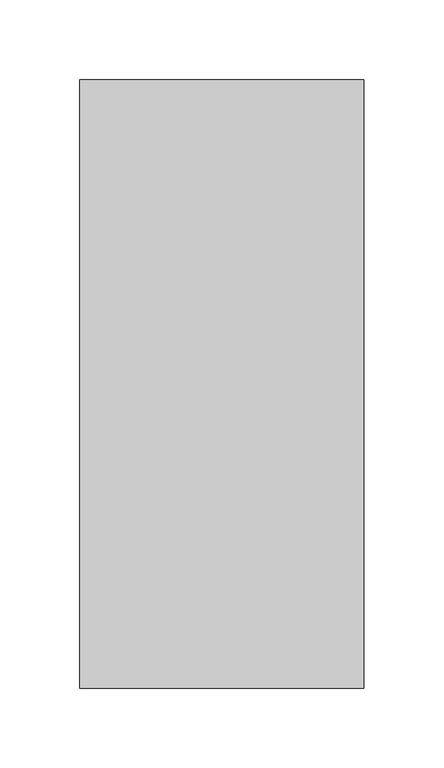
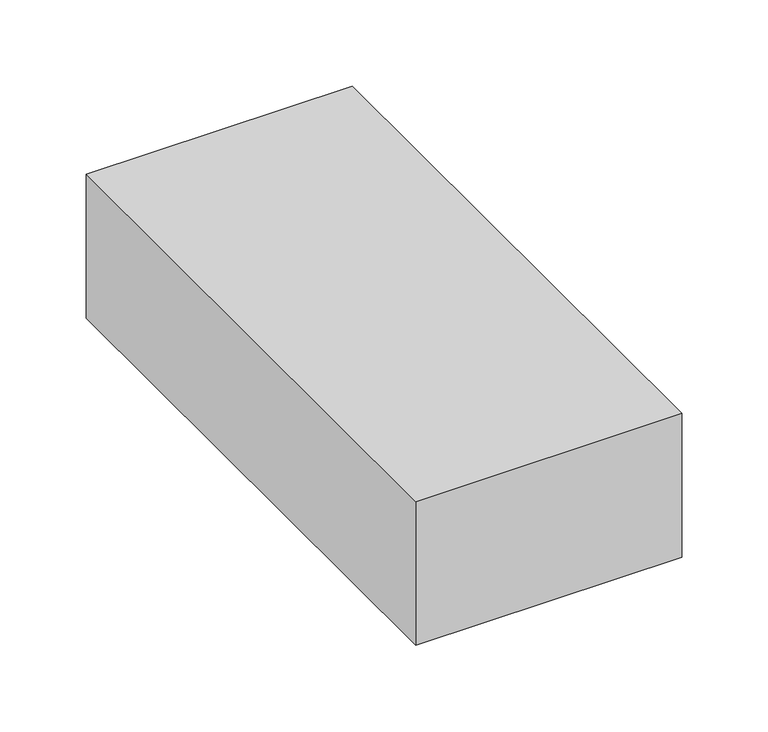
"""IFC4 building model written with IfcOpenShell, lengths in millimetres: proxy geometry."""

from ifc_helpers import new_model, si_unit, point, frame, frame_2d, origin, origin_with_axes, place, context, project, spatial, polyline, circle_curve, ellipse_curve, trimmed, segment, composite_curve, outline, extrude, source, transform, mapped, element, save
from ifc_brep_helpers import plane_surface, cylinder_surface, revolved_surface, advanced_brep


def specialty_equipment_af44a16f(model_context):
    return source(origin(), model_context, "Body", "SolidModel", [
        extrude(outline(composite_curve([segment(polyline([(-177.8, 57.15), (-176.2125, 57.15), (-176.2125, 7.14375)]), True, "CONTINUOUS"), segment(trimmed(circle_curve(frame_2d((-169.8625, 7.14375)), 6.35), [point((-176.2125, 7.14375))], [point((-169.8625, 0.79375))], True, "CARTESIAN"), True, "CONTINUOUS"), segment(polyline([(-169.8625, 0.79375), (-96.8375, 0.79375), (-96.8375, 0.0), (-177.8, 0.0), (-177.8, 57.15)]), True, "CONTINUOUS")], self_intersect=False)), frame((-73.025, 0.0, 0.0), z_axis=(1.0, 0.0, 0.0), x_axis=(0.0, 1.0, 0.0)), (0.0, 0.0, 1.0), 146.05),
        advanced_brep(
        [(-85.725, -85.725, 0.0), (-85.725, -28.575, 0.0), (-84.1375, -28.575, 0.0), (-84.1375, -85.725, 0.0), (-73.025, -96.8375, 0.0), (-73.025, -98.425, 0.0), (-85.725, -85.725, 50.8), (-85.725, -28.575, 50.8), (-66.675, -28.575, 69.85), (66.675, -28.575, 69.85), (85.725, -28.575, 50.8), (85.725, -28.575, 0.0), (84.1375, -28.575, 0.0), (84.1375, -28.575, 50.8), (66.675, -28.575, 68.2625), (-66.675, -28.575, 68.2625), (-84.1375, -28.575, 50.8), (-84.1375, -85.725, 50.8), (-73.025, -96.8375, 50.8), (-73.025, -98.425, 50.8), (-66.675, -85.725, 69.85), (-66.675, -85.725, 68.2625), (-66.675, -96.8375, 57.15), (-66.675, -98.425, 57.15), (66.675, -85.725, 69.85), (66.675, -85.725, 68.2625), (66.675, -96.8375, 57.15), (66.675, -98.425, 57.15), (85.725, -85.725, 50.8), (84.1375, -85.725, 50.8), (73.025, -96.8375, 50.8), (73.025, -98.425, 50.8), (85.725, -85.725, 0.0), (73.025, -98.425, 0.0), (73.025, -96.8375, 0.0), (84.1375, -85.725, 0.0)],
        [
            (0, 1),
            (1, 2),
            (2, 3),
            (3, 4, circle_curve(frame((-73.025, -85.725, 0.0), z_axis=(0.0, 0.0, 1.0), x_axis=(1.0, 0.0, 0.0)), 11.1125)),
            (4, 5),
            (5, 0, circle_curve(frame((-73.025, -85.725, 0.0), z_axis=(0.0, 0.0, -1.0), x_axis=(1.0, 0.0, 0.0)), 12.7)),
            (0, 6),
            (6, 7),
            (7, 1),
            (7, 8, circle_curve(frame((-66.675, -28.575, 50.8), z_axis=(0.0, 1.0, 0.0), x_axis=(-1.0, 0.0, 0.0)), 19.05)),
            (8, 9),
            (9, 10, circle_curve(frame((66.675, -28.575, 50.8), z_axis=(0.0, 1.0, 0.0), x_axis=(0.0, 0.0, 1.0)), 19.05)),
            (10, 11),
            (11, 12),
            (12, 13),
            (13, 14, circle_curve(frame((66.675, -28.575, 50.8), z_axis=(0.0, -1.0, 0.0), x_axis=(0.0, 0.0, 1.0)), 17.4625)),
            (14, 15),
            (15, 16, circle_curve(frame((-66.675, -28.575, 50.8), z_axis=(0.0, -1.0, 0.0), x_axis=(-1.0, 0.0, 0.0)), 17.4625)),
            (16, 2),
            (16, 17),
            (17, 3),
            (17, 18, circle_curve(frame((-73.025, -85.725, 50.8), z_axis=(0.0, 0.0, 1.0), x_axis=(1.0, 0.0, 0.0)), 11.1125)),
            (18, 4),
            (18, 19),
            (19, 5),
            (19, 6, circle_curve(frame((-73.025, -85.725, 50.8), z_axis=(0.0, 0.0, -1.0), x_axis=(1.0, 0.0, 0.0)), 12.7)),
            (6, 20, circle_curve(frame((-66.675, -85.725, 50.8), z_axis=(0.0, 1.0, 0.0), x_axis=(-1.0, 0.0, 0.0)), 19.05)),
            (20, 8),
            (21, 17, circle_curve(frame((-66.675, -85.725, 50.8), z_axis=(0.0, -1.0, 0.0), x_axis=(-1.0, 0.0, 0.0)), 17.4625)),
            (15, 21),
            (22, 18, circle_curve(frame((-66.675, -96.8375, 50.8), z_axis=(0.0, -1.0, 0.0), x_axis=(-1.0, 0.0, 0.0)), 6.35)),
            (21, 22, circle_curve(frame((-66.675, -85.725, 57.15), z_axis=(1.0, 0.0, 0.0), x_axis=(0.0, 0.0, -1.0)), 11.1125)),
            (23, 19, circle_curve(frame((-66.675, -98.425, 50.8), z_axis=(0.0, -1.0, 0.0), x_axis=(-1.0, 0.0, 0.0)), 6.35)),
            (22, 23),
            (23, 20, circle_curve(frame((-66.675, -85.725, 57.15), z_axis=(-1.0, 0.0, 0.0), x_axis=(0.0, 0.0, -1.0)), 12.7)),
            (20, 24),
            (24, 9),
            (14, 25),
            (25, 21),
            (25, 26, circle_curve(frame((66.675, -85.725, 57.15), z_axis=(1.0, 0.0, 0.0), x_axis=(0.0, 0.0, -1.0)), 11.1125)),
            (26, 22),
            (26, 27),
            (27, 23),
            (27, 24, circle_curve(frame((66.675, -85.725, 57.15), z_axis=(-1.0, 0.0, 0.0), x_axis=(0.0, 0.0, -1.0)), 12.7)),
            (24, 28, circle_curve(frame((66.675, -85.725, 50.8), z_axis=(0.0, 1.0, 0.0), x_axis=(0.0, 0.0, 1.0)), 19.05)),
            (28, 10),
            (29, 25, circle_curve(frame((66.675, -85.725, 50.8), z_axis=(0.0, -1.0, 0.0), x_axis=(0.0, 0.0, 1.0)), 17.4625)),
            (13, 29),
            (30, 26, circle_curve(frame((66.675, -96.8375, 50.8), z_axis=(0.0, -1.0, 0.0), x_axis=(0.0, 0.0, 1.0)), 6.35)),
            (29, 30, circle_curve(frame((73.025, -85.725, 50.8), z_axis=(0.0, 0.0, -1.0), x_axis=(-1.0, 0.0, 0.0)), 11.1125)),
            (31, 27, circle_curve(frame((66.675, -98.425, 50.8), z_axis=(0.0, -1.0, 0.0), x_axis=(0.0, 0.0, 1.0)), 6.35)),
            (30, 31),
            (31, 28, circle_curve(frame((73.025, -85.725, 50.8), z_axis=(0.0, 0.0, 1.0), x_axis=(-1.0, 0.0, 0.0)), 12.7)),
            (32, 33, circle_curve(frame((73.025, -85.725, 0.0), z_axis=(0.0, 0.0, -1.0), x_axis=(-1.0, 0.0, 0.0)), 12.7)),
            (33, 34),
            (34, 35, circle_curve(frame((73.025, -85.725, 0.0), z_axis=(0.0, 0.0, 1.0), x_axis=(-1.0, 0.0, 0.0)), 11.1125)),
            (35, 12),
            (11, 32),
            (28, 32),
            (35, 29),
            (34, 30),
            (33, 31),
        ],
        [
            plane_surface(frame((-85.725, -98.425, 0.0), z_axis=(0.0, 0.0, -1.0), x_axis=(0.0, 1.0, 0.0))),
            plane_surface(frame((-85.725, -85.725, 0.0), z_axis=(-1.0, 0.0, 0.0), x_axis=(0.0, 0.0, 1.0))),
            plane_surface(frame((-85.725, -28.575, 0.0), z_axis=(0.0, 1.0, 0.0), x_axis=(0.0, 0.0, 1.0))),
            plane_surface(frame((-84.1375, -28.575, 0.0), z_axis=(1.0, 0.0, 0.0), x_axis=(0.0, 0.0, 1.0))),
            revolved_surface(polyline([(-61.91250000000001, -85.725, 50.8), (-61.91250000000001, -85.725, 0.0)]), (-73.025, -85.725, 0.0), (0.0, 0.0, 1.0)),
            plane_surface(frame((-73.025, -96.8375, 0.0), z_axis=(1.0, 0.0, 0.0), x_axis=(0.0, 0.0, 1.0))),
            cylinder_surface(frame((-73.025, -85.725, 0.0), z_axis=(0.0, 0.0, -1.0), x_axis=(1.0, 0.0, 0.0)), 12.7),
            cylinder_surface(frame((-66.675, -98.425, 50.8), z_axis=(0.0, 1.0, 0.0), x_axis=(-1.0, 0.0, 0.0)), 19.05),
            revolved_surface(polyline([(-84.13749999999999, -28.575000000000003, 50.8), (-84.13749999999999, -85.725, 50.8)]), (-66.675, -98.425, 50.8), (0.0, 1.0, 0.0)),
            revolved_surface(trimmed(ellipse_curve(frame((-73.025, -85.725, 50.8), z_axis=(0.0, 0.0, 1.0), x_axis=(1.0, 0.0, 0.0)), 11.1125, 11.1125), [point((-84.1375, -85.725, 50.8))], [point((-73.025, -96.8375, 50.8))], True, "CARTESIAN"), (-66.675, -98.425, 50.8), (0.0, 1.0, 0.0)),
            revolved_surface(polyline([(-73.02499999999999, -96.8375, 50.8), (-73.02499999999999, -98.425, 50.8)]), (-66.675, -98.425, 50.8), (0.0, 1.0, 0.0)),
            revolved_surface(trimmed(ellipse_curve(frame((-73.025, -85.725, 50.8), z_axis=(0.0, 0.0, -1.0), x_axis=(1.0, 0.0, 0.0)), 12.7, 12.7), [point((-73.025, -98.425, 50.8))], [point((-85.725, -85.725, 50.8))], True, "CARTESIAN"), (-66.675, -98.425, 50.8), (0.0, 1.0, 0.0)),
            plane_surface(frame((-66.675, -85.725, 69.85), z_axis=(0.0, 0.0, 1.0), x_axis=(1.0, 0.0, 0.0))),
            plane_surface(frame((-66.675, -28.575, 68.2625), z_axis=(0.0, 0.0, -1.0), x_axis=(1.0, 0.0, 0.0))),
            revolved_surface(polyline([(66.675, -85.725, 46.037499999999994), (-66.675, -85.725, 46.037499999999994)]), (-66.675, -85.725, 57.15), (1.0, 0.0, 0.0)),
            plane_surface(frame((-66.675, -96.8375, 57.15), z_axis=(0.0, 0.0, -1.0), x_axis=(1.0, 0.0, 0.0))),
            cylinder_surface(frame((-66.675, -85.725, 57.15), z_axis=(-1.0, 0.0, 0.0), x_axis=(0.0, 0.0, -1.0)), 12.7),
            cylinder_surface(frame((66.675, -98.425, 50.8), z_axis=(0.0, 1.0, 0.0), x_axis=(0.0, 0.0, 1.0)), 19.05),
            revolved_surface(polyline([(66.675, -28.575000000000003, 68.26249999999999), (66.675, -85.725, 68.26249999999999)]), (66.675, -98.425, 50.8), (0.0, 1.0, 0.0)),
            revolved_surface(trimmed(ellipse_curve(frame((66.675, -85.725, 57.15), z_axis=(1.0, 0.0, 0.0), x_axis=(0.0, 0.0, -1.0)), 11.1125, 11.1125), [point((66.675, -85.725, 68.2625))], [point((66.675, -96.8375, 57.15))], True, "CARTESIAN"), (66.675, -98.425, 50.8), (0.0, 1.0, 0.0)),
            revolved_surface(polyline([(66.675, -96.8375, 57.15), (66.675, -98.425, 57.15)]), (66.675, -98.425, 50.8), (0.0, 1.0, 0.0)),
            revolved_surface(trimmed(ellipse_curve(frame((66.675, -85.725, 57.15), z_axis=(-1.0, 0.0, 0.0), x_axis=(0.0, 0.0, -1.0)), 12.7, 12.7), [point((66.675, -98.425, 57.15))], [point((66.675, -85.725, 69.85))], True, "CARTESIAN"), (66.675, -98.425, 50.8), (0.0, 1.0, 0.0)),
            plane_surface(frame((85.725, -98.425, 0.0), z_axis=(0.0, 0.0, -1.0), x_axis=(0.0, 1.0, 0.0))),
            plane_surface(frame((85.725, -85.725, 50.8), z_axis=(1.0, 0.0, 0.0), x_axis=(0.0, 0.0, -1.0))),
            plane_surface(frame((84.1375, -28.575, 50.8), z_axis=(-1.0, 0.0, 0.0), x_axis=(0.0, 0.0, -1.0))),
            revolved_surface(polyline([(61.91250000000001, -85.725, 0.0), (61.91250000000001, -85.725, 50.8)]), (73.025, -85.725, 50.8), (0.0, 0.0, -1.0)),
            plane_surface(frame((73.025, -96.8375, 50.8), z_axis=(-1.0, 0.0, 0.0), x_axis=(0.0, 0.0, -1.0))),
            cylinder_surface(frame((73.025, -85.725, 50.8), z_axis=(0.0, 0.0, 1.0), x_axis=(-1.0, 0.0, 0.0)), 12.7),
        ],
        [
            (0, [[1, 2, 3, 4, 5, 6]]),
            (1, [[-1, 7, 8, 9]]),
            (2, [[-2, -9, 10, 11, 12, 13, 14, 15, 16, 17, 18, 19]]),
            (3, [[-3, -19, 20, 21]]),
            (4, [[-4, -21, 22, 23]]),
            (5, [[-5, -23, 24, 25]]),
            (6, [[-6, -25, 26, -7]]),
            (7, [[-10, -8, 27, 28]]),
            (8, [[29, -20, -18, 30]]),
            (9, [[31, -22, -29, 32]]),
            (10, [[33, -24, -31, 34]]),
            (11, [[-27, -26, -33, 35]]),
            (12, [[-28, 36, 37, -11]]),
            (13, [[-30, -17, 38, 39]]),
            (14, [[-32, -39, 40, 41]]),
            (15, [[-34, -41, 42, 43]]),
            (16, [[-35, -43, 44, -36]]),
            (17, [[-12, -37, 45, 46]]),
            (18, [[47, -38, -16, 48]]),
            (19, [[49, -40, -47, 50]]),
            (20, [[51, -42, -49, 52]]),
            (21, [[-45, -44, -51, 53]]),
            (22, [[54, 55, 56, 57, -14, 58]]),
            (23, [[-46, 59, -58, -13]]),
            (24, [[-48, -15, -57, 60]]),
            (25, [[-50, -60, -56, 61]]),
            (26, [[-52, -61, -55, 62]]),
            (27, [[-53, -62, -54, -59]]),
        ],
    ),
        advanced_brep(
        [(-85.725, 165.1, 0.0), (-73.025, 177.8, 0.0), (-73.025, 176.2125, 0.0), (-84.1375, 165.1, 0.0), (-84.1375, 123.9305496, 0.0), (-85.725, 123.9305496, 0.0), (-85.725, 165.1, 50.8), (-73.025, 177.8, 50.8), (-73.025, 176.2125, 50.8), (-84.1375, 165.1, 50.8), (-84.1375, 123.9305496, 50.8), (-66.675, 123.9305496, 68.2625), (66.675, 123.9305496, 68.2625), (84.1375, 123.9305496, 50.8), (84.1375, 123.9305496, 0.0), (85.725, 123.9305496, 0.0), (85.725, 123.9305496, 50.8), (66.675, 123.9305496, 69.85), (-66.675, 123.9305496, 69.85), (-85.725, 123.9305496, 50.8), (-66.675, 177.8, 57.15), (-66.675, 165.1, 69.85), (-66.675, 176.2125, 57.15), (-66.675, 165.1, 68.2625), (66.675, 165.1, 69.85), (66.675, 177.8, 57.15), (66.675, 176.2125, 57.15), (66.675, 165.1, 68.2625), (73.025, 177.8, 50.8), (85.725, 165.1, 50.8), (73.025, 176.2125, 50.8), (84.1375, 165.1, 50.8), (85.725, 165.1, 0.0), (84.1375, 165.1, 0.0), (73.025, 176.2125, 0.0), (73.025, 177.8, 0.0)],
        [
            (0, 1, circle_curve(frame((-73.025, 165.1, 0.0), z_axis=(0.0, 0.0, -1.0), x_axis=(1.0, 0.0, 0.0)), 12.7)),
            (1, 2),
            (2, 3, circle_curve(frame((-73.025, 165.1, 0.0), z_axis=(0.0, 0.0, 1.0), x_axis=(1.0, 0.0, 0.0)), 11.1125)),
            (3, 4),
            (4, 5),
            (5, 0),
            (0, 6),
            (6, 7, circle_curve(frame((-73.025, 165.1, 50.8), z_axis=(0.0, 0.0, -1.0), x_axis=(1.0, 0.0, 0.0)), 12.7)),
            (7, 1),
            (7, 8),
            (8, 2),
            (8, 9, circle_curve(frame((-73.025, 165.1, 50.8), z_axis=(0.0, 0.0, 1.0), x_axis=(1.0, 0.0, 0.0)), 11.1125)),
            (9, 3),
            (9, 10),
            (10, 4),
            (10, 11, circle_curve(frame((-66.675, 123.9305496, 50.8), z_axis=(0.0, 1.0, 0.0), x_axis=(-1.0, 0.0, 0.0)), 17.4625)),
            (11, 12),
            (12, 13, circle_curve(frame((66.675, 123.9305496, 50.8), z_axis=(0.0, 1.0, 0.0), x_axis=(0.0, 0.0, 1.0)), 17.4625)),
            (13, 14),
            (14, 15),
            (15, 16),
            (16, 17, circle_curve(frame((66.675, 123.9305496, 50.8), z_axis=(0.0, -1.0, 0.0), x_axis=(0.0, 0.0, 1.0)), 19.05)),
            (17, 18),
            (18, 19, circle_curve(frame((-66.675, 123.9305496, 50.8), z_axis=(0.0, -1.0, 0.0), x_axis=(-1.0, 0.0, 0.0)), 19.05)),
            (19, 5),
            (19, 6),
            (20, 7, circle_curve(frame((-66.675, 177.8, 50.8), z_axis=(0.0, -1.0, 0.0), x_axis=(-1.0, 0.0, 0.0)), 6.35)),
            (6, 21, circle_curve(frame((-66.675, 165.1, 50.8), z_axis=(0.0, 1.0, 0.0), x_axis=(-1.0, 0.0, 0.0)), 19.05)),
            (21, 20, circle_curve(frame((-66.675, 165.1, 57.15), z_axis=(-1.0, 0.0, 0.0), x_axis=(0.0, 0.0, -1.0)), 12.7)),
            (22, 8, circle_curve(frame((-66.675, 176.2125, 50.8), z_axis=(0.0, -1.0, 0.0), x_axis=(-1.0, 0.0, 0.0)), 6.35)),
            (20, 22),
            (23, 9, circle_curve(frame((-66.675, 165.1, 50.8), z_axis=(0.0, -1.0, 0.0), x_axis=(-1.0, 0.0, 0.0)), 17.4625)),
            (22, 23, circle_curve(frame((-66.675, 165.1, 57.15), z_axis=(1.0, 0.0, 0.0), x_axis=(0.0, 0.0, -1.0)), 11.1125)),
            (23, 11),
            (18, 21),
            (21, 24),
            (24, 25, circle_curve(frame((66.675, 165.1, 57.15), z_axis=(-1.0, 0.0, 0.0), x_axis=(0.0, 0.0, -1.0)), 12.7)),
            (25, 20),
            (25, 26),
            (26, 22),
            (26, 27, circle_curve(frame((66.675, 165.1, 57.15), z_axis=(1.0, 0.0, 0.0), x_axis=(0.0, 0.0, -1.0)), 11.1125)),
            (27, 23),
            (27, 12),
            (17, 24),
            (28, 25, circle_curve(frame((66.675, 177.8, 50.8), z_axis=(0.0, -1.0, 0.0), x_axis=(0.0, 0.0, 1.0)), 6.35)),
            (24, 29, circle_curve(frame((66.675, 165.1, 50.8), z_axis=(0.0, 1.0, 0.0), x_axis=(0.0, 0.0, 1.0)), 19.05)),
            (29, 28, circle_curve(frame((73.025, 165.1, 50.8), z_axis=(0.0, 0.0, 1.0), x_axis=(-1.0, 0.0, 0.0)), 12.7)),
            (30, 26, circle_curve(frame((66.675, 176.2125, 50.8), z_axis=(0.0, -1.0, 0.0), x_axis=(0.0, 0.0, 1.0)), 6.35)),
            (28, 30),
            (31, 27, circle_curve(frame((66.675, 165.1, 50.8), z_axis=(0.0, -1.0, 0.0), x_axis=(0.0, 0.0, 1.0)), 17.4625)),
            (30, 31, circle_curve(frame((73.025, 165.1, 50.8), z_axis=(0.0, 0.0, -1.0), x_axis=(-1.0, 0.0, 0.0)), 11.1125)),
            (31, 13),
            (16, 29),
            (32, 15),
            (14, 33),
            (33, 34, circle_curve(frame((73.025, 165.1, 0.0), z_axis=(0.0, 0.0, 1.0), x_axis=(-1.0, 0.0, 0.0)), 11.1125)),
            (34, 35),
            (35, 32, circle_curve(frame((73.025, 165.1, 0.0), z_axis=(0.0, 0.0, -1.0), x_axis=(-1.0, 0.0, 0.0)), 12.7)),
            (29, 32),
            (35, 28),
            (34, 30),
            (33, 31),
        ],
        [
            plane_surface(frame((-85.725, 114.3, 0.0), z_axis=(0.0, 0.0, -1.0), x_axis=(0.0, 1.0, 0.0))),
            cylinder_surface(frame((-73.025, 165.1, 0.0), z_axis=(0.0, 0.0, -1.0), x_axis=(1.0, 0.0, 0.0)), 12.7),
            plane_surface(frame((-73.025, 177.8, 0.0), z_axis=(1.0, 0.0, 0.0), x_axis=(0.0, 0.0, 1.0))),
            revolved_surface(polyline([(-61.91250000000001, 165.1, 50.8), (-61.91250000000001, 165.1, 0.0)]), (-73.025, 165.1, 0.0), (0.0, 0.0, 1.0)),
            plane_surface(frame((-84.1375, 165.1, 0.0), z_axis=(1.0, 0.0, 0.0), x_axis=(0.0, 0.0, 1.0))),
            plane_surface(frame((-84.1375, 123.9305496, 0.0), z_axis=(0.0, -1.0, 0.0), x_axis=(0.0, 0.0, 1.0))),
            plane_surface(frame((-85.725, 123.9305496, 0.0), z_axis=(-1.0, 0.0, 0.0), x_axis=(0.0, 0.0, 1.0))),
            revolved_surface(trimmed(ellipse_curve(frame((-73.025, 165.1, 50.8), z_axis=(0.0, 0.0, -1.0), x_axis=(1.0, 0.0, 0.0)), 12.7, 12.7), [point((-85.725, 165.1, 50.8))], [point((-73.025, 177.8, 50.8))], True, "CARTESIAN"), (-66.675, 114.3, 50.8), (0.0, 1.0, 0.0)),
            revolved_surface(polyline([(-73.02499999999999, 177.8, 50.8), (-73.02499999999999, 176.2125, 50.8)]), (-66.675, 114.3, 50.8), (0.0, 1.0, 0.0)),
            revolved_surface(trimmed(ellipse_curve(frame((-73.025, 165.1, 50.8), z_axis=(0.0, 0.0, 1.0), x_axis=(1.0, 0.0, 0.0)), 11.1125, 11.1125), [point((-73.025, 176.2125, 50.8))], [point((-84.1375, 165.1, 50.8))], True, "CARTESIAN"), (-66.675, 114.3, 50.8), (0.0, 1.0, 0.0)),
            revolved_surface(polyline([(-84.13749999999999, 165.1, 50.8), (-84.13749999999999, 123.9305496, 50.8)]), (-66.675, 114.3, 50.8), (0.0, 1.0, 0.0)),
            cylinder_surface(frame((-66.675, 114.3, 50.8), z_axis=(0.0, 1.0, 0.0), x_axis=(-1.0, 0.0, 0.0)), 19.05),
            cylinder_surface(frame((-66.675, 165.1, 57.15), z_axis=(-1.0, 0.0, 0.0), x_axis=(0.0, 0.0, -1.0)), 12.7),
            plane_surface(frame((-66.675, 177.8, 57.15), z_axis=(0.0, 0.0, -1.0), x_axis=(1.0, 0.0, 0.0))),
            revolved_surface(polyline([(66.675, 165.1, 46.037499999999994), (-66.675, 165.1, 46.037499999999994)]), (-66.675, 165.1, 57.15), (1.0, 0.0, 0.0)),
            plane_surface(frame((-66.675, 165.1, 68.2625), z_axis=(0.0, 0.0, -1.0), x_axis=(1.0, 0.0, 0.0))),
            plane_surface(frame((-66.675, 123.9305496, 69.85), z_axis=(0.0, 0.0, 1.0), x_axis=(1.0, 0.0, 0.0))),
            revolved_surface(trimmed(ellipse_curve(frame((66.675, 165.1, 57.15), z_axis=(-1.0, 0.0, 0.0), x_axis=(0.0, 0.0, -1.0)), 12.7, 12.7), [point((66.675, 165.1, 69.85))], [point((66.675, 177.8, 57.15))], True, "CARTESIAN"), (66.675, 114.3, 50.8), (0.0, 1.0, 0.0)),
            revolved_surface(polyline([(66.675, 177.8, 57.15), (66.675, 176.2125, 57.15)]), (66.675, 114.3, 50.8), (0.0, 1.0, 0.0)),
            revolved_surface(trimmed(ellipse_curve(frame((66.675, 165.1, 57.15), z_axis=(1.0, 0.0, 0.0), x_axis=(0.0, 0.0, -1.0)), 11.1125, 11.1125), [point((66.675, 176.2125, 57.15))], [point((66.675, 165.1, 68.2625))], True, "CARTESIAN"), (66.675, 114.3, 50.8), (0.0, 1.0, 0.0)),
            revolved_surface(polyline([(66.675, 165.1, 68.26249999999999), (66.675, 123.9305496, 68.26249999999999)]), (66.675, 114.3, 50.8), (0.0, 1.0, 0.0)),
            cylinder_surface(frame((66.675, 114.3, 50.8), z_axis=(0.0, 1.0, 0.0), x_axis=(0.0, 0.0, 1.0)), 19.05),
            plane_surface(frame((85.725, 114.3, 0.0), z_axis=(0.0, 0.0, -1.0), x_axis=(0.0, 1.0, 0.0))),
            cylinder_surface(frame((73.025, 165.1, 50.8), z_axis=(0.0, 0.0, 1.0), x_axis=(-1.0, 0.0, 0.0)), 12.7),
            plane_surface(frame((73.025, 177.8, 50.8), z_axis=(-1.0, 0.0, 0.0), x_axis=(0.0, 0.0, -1.0))),
            revolved_surface(polyline([(61.91250000000001, 165.1, 0.0), (61.91250000000001, 165.1, 50.8)]), (73.025, 165.1, 50.8), (0.0, 0.0, -1.0)),
            plane_surface(frame((84.1375, 165.1, 50.8), z_axis=(-1.0, 0.0, 0.0), x_axis=(0.0, 0.0, -1.0))),
            plane_surface(frame((85.725, 123.9305496, 50.8), z_axis=(1.0, 0.0, 0.0), x_axis=(0.0, 0.0, -1.0))),
        ],
        [
            (0, [[1, 2, 3, 4, 5, 6]]),
            (1, [[-1, 7, 8, 9]]),
            (2, [[-2, -9, 10, 11]]),
            (3, [[-3, -11, 12, 13]]),
            (4, [[-4, -13, 14, 15]]),
            (5, [[-5, -15, 16, 17, 18, 19, 20, 21, 22, 23, 24, 25]]),
            (6, [[-6, -25, 26, -7]]),
            (7, [[27, -8, 28, 29]]),
            (8, [[30, -10, -27, 31]]),
            (9, [[32, -12, -30, 33]]),
            (10, [[-16, -14, -32, 34]]),
            (11, [[-28, -26, -24, 35]]),
            (12, [[-29, 36, 37, 38]]),
            (13, [[-31, -38, 39, 40]]),
            (14, [[-33, -40, 41, 42]]),
            (15, [[-34, -42, 43, -17]]),
            (16, [[-35, -23, 44, -36]]),
            (17, [[45, -37, 46, 47]]),
            (18, [[48, -39, -45, 49]]),
            (19, [[50, -41, -48, 51]]),
            (20, [[-18, -43, -50, 52]]),
            (21, [[-46, -44, -22, 53]]),
            (22, [[54, -20, 55, 56, 57, 58]]),
            (23, [[-47, 59, -58, 60]]),
            (24, [[-49, -60, -57, 61]]),
            (25, [[-51, -61, -56, 62]]),
            (26, [[-52, -62, -55, -19]]),
            (27, [[-53, -21, -54, -59]]),
        ],
    ),
        extrude(outline(composite_curve([segment(polyline([(50.8, -85.725), (0.0, -85.725), (0.0, -84.1375), (50.8, -84.1375)]), True, "CONTINUOUS"), segment(trimmed(circle_curve(frame_2d((50.8, -66.675)), 17.4625), [point((50.8, -84.1375))], [point((68.2625, -66.675))], True, "CARTESIAN"), True, "CONTINUOUS"), segment(polyline([(68.2625, -66.675), (68.2625, 66.675)]), True, "CONTINUOUS"), segment(trimmed(circle_curve(frame_2d((50.8, 66.675)), 17.4625), [point((68.2625, 66.675))], [point((50.8, 84.1375))], True, "CARTESIAN"), True, "CONTINUOUS"), segment(polyline([(50.8, 84.1375), (0.0, 84.1375), (0.0, 85.725), (50.8, 85.725)]), True, "CONTINUOUS"), segment(trimmed(circle_curve(frame_2d((50.8, 66.675)), 19.05), [point((50.8, 85.725))], [point((69.85, 66.675))], False, "CARTESIAN"), True, "CONTINUOUS"), segment(polyline([(69.85, 66.675), (69.85, -66.675)]), True, "CONTINUOUS"), segment(trimmed(circle_curve(frame_2d((50.8, -66.675)), 19.05), [point((69.85, -66.675))], [point((50.8, -85.725))], False, "CARTESIAN"), True, "CONTINUOUS")], self_intersect=False)), frame((0.0, -28.575, 0.0), z_axis=(0.0, 1.0, 0.0), x_axis=(0.0, 0.0, 1.0)), (0.0, 0.0, 1.0), 152.5055496),
        extrude(outline(composite_curve([segment(polyline([(68.2625, 66.675), (68.2625, -66.675)]), True, "CONTINUOUS"), segment(trimmed(circle_curve(frame_2d((50.8, -66.675)), 17.4625), [point((68.2625, -66.675))], [point((50.8, -84.1375))], False, "CARTESIAN"), True, "CONTINUOUS"), segment(polyline([(50.8, -84.1375), (0.0, -84.1375), (0.0, 84.1375), (50.8, 84.1375)]), True, "CONTINUOUS"), segment(trimmed(circle_curve(frame_2d((50.8, 66.675)), 17.4625), [point((50.8, 84.1375))], [point((68.2625, 66.675))], False, "CARTESIAN"), True, "CONTINUOUS")], self_intersect=False)), frame((0.0, -28.575, 0.0), z_axis=(0.0, 1.0, 0.0), x_axis=(0.0, 0.0, 1.0)), (0.0, 0.0, 1.0), 111.125),
        extrude(outline(composite_curve([segment(trimmed(circle_curve(frame_2d((41.275, 0.0)), 9.525), [point((41.275, -9.525))], [point((41.275, 9.525))], False, "CARTESIAN"), True, "CONTINUOUS"), segment(trimmed(circle_curve(frame_2d((41.275, 0.0)), 9.525), [point((41.275, 9.525))], [point((41.275, -9.525))], False, "CARTESIAN"), True, "CONTINUOUS")], self_intersect=False)), frame((0.0, -111.125, 0.0), z_axis=(0.0, 1.0, 0.0), x_axis=(0.0, 0.0, 1.0)), (0.0, 0.0, 1.0), 12.7),
        extrude(outline(composite_curve([segment(polyline([(0.0, -73.025), (0.0, 73.025), (50.8, 73.025)]), True, "CONTINUOUS"), segment(trimmed(circle_curve(frame_2d((50.8, 66.675)), 6.35), [point((50.8, 73.025))], [point((57.15, 66.675))], False, "CARTESIAN"), True, "CONTINUOUS"), segment(polyline([(57.15, 66.675), (57.15, -66.675)]), True, "CONTINUOUS"), segment(trimmed(circle_curve(frame_2d((50.8, -66.675)), 6.35), [point((57.15, -66.675))], [point((50.8, -73.025))], False, "CARTESIAN"), True, "CONTINUOUS"), segment(polyline([(50.8, -73.025), (0.0, -73.025)]), True, "CONTINUOUS")], self_intersect=False)), frame((0.0, -98.425, 0.0), z_axis=(0.0, 1.0, 0.0), x_axis=(0.0, 0.0, 1.0)), (0.0, 0.0, 1.0), 1.5875),
        extrude(outline(polyline([(88.9, 190.5), (88.9, -190.5), (-88.9, -190.5), (-88.9, 190.5), (88.9, 190.5)])), origin_with_axes(), (0.0, 0.0, 1.0), 101.6),
        extrude(outline(composite_curve([segment(polyline([(0.0, -73.025), (0.0, 73.025), (50.8, 73.025)]), True, "CONTINUOUS"), segment(trimmed(circle_curve(frame_2d((50.8, 66.675)), 6.35), [point((50.8, 73.025))], [point((57.15, 66.675))], False, "CARTESIAN"), True, "CONTINUOUS"), segment(polyline([(57.15, 66.675), (57.15, -66.675)]), True, "CONTINUOUS"), segment(trimmed(circle_curve(frame_2d((50.8, -66.675)), 6.35), [point((57.15, -66.675))], [point((50.8, -73.025))], False, "CARTESIAN"), True, "CONTINUOUS"), segment(polyline([(50.8, -73.025), (0.0, -73.025)]), True, "CONTINUOUS")], self_intersect=False)), frame((0.0, 176.2125, 0.0), z_axis=(0.0, 1.0, 0.0), x_axis=(0.0, 0.0, 1.0)), (0.0, 0.0, 1.0), 1.5875),
    ])


if __name__ == "__main__":
    model = new_model("IFC4")
    model_context = context("Model", 3, world=origin())
    ifc_project = project(units=[si_unit("LENGTHUNIT", "METRE", prefix="MILLI")], contexts=[model_context])
    site = spatial("IfcSite", under=ifc_project)
    building = spatial("IfcBuilding", under=site)
    placement = place(None, origin())
    specialty_equipment_shape = specialty_equipment_af44a16f(model_context)
    element("IfcBuildingElementProxy", 1, Name="Specialty Equipment", at=placement, inside=building, context=model_context, shape_type="MappedRepresentation", body=[
        mapped(specialty_equipment_shape, transform((0.0, 0.0, 0.0), x_axis=(1.0, 0.0, 0.0), y_axis=(0.0, 1.0, 0.0), z_axis=(0.0, 0.0, 1.0))),
    ])
    save(model, "model.ifc")
